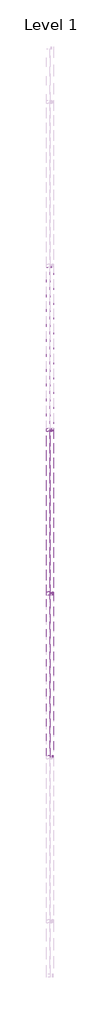
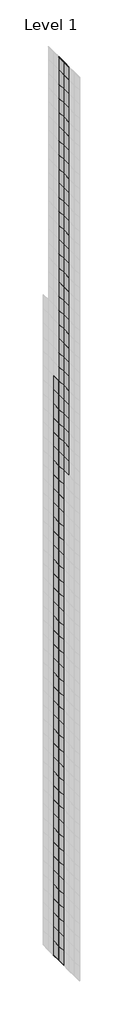
# One storey, part 23 of 29: 134 plates, 4 members.
"""IFC4 building model written with IfcOpenShell, lengths in millimetres."""

import ifcopenshell
import ifcopenshell.guid

model = None  # the IFC model being written
_history = None  # IfcOwnerHistory: only IFC2X3 demands one
_inside = {}  # id of a spatial element -> (the spatial element, [elements in it])
_under = {}  # id of a project, library or spatial element -> (it, [spatial elements below it])
_declared = {}  # id of a project -> (the project, [libraries it declares])
_typed = {}  # id of a type object -> (the type object, [elements of that type])
_made_of = {}  # id of a material, layer set ... -> (it, [elements and type objects made of it])


def new_model(schema):
    """Start an empty IFC model of exactly this schema.

    Asked for "IFC4X3", IfcOpenShell would pick the latest addendum, in which some entities
    have other attributes; the version numbers below select the first issue.
    IFC2X3 requires an IfcOwnerHistory on every rooted entity: one is made here for all.
    """
    global model, _history
    if schema == "IFC4X3":
        model = ifcopenshell.file(schema_version=(4, 3, 0, 0))
    else:
        model = ifcopenshell.file(schema=schema)
    _inside.clear()
    _under.clear()
    _declared.clear()
    _typed.clear()
    _made_of.clear()
    _history = None
    if model.schema == "IFC2X3":
        org = make("IfcOrganization", Name="unknown")
        user = make(
            "IfcPersonAndOrganization",
            ThePerson=make("IfcPerson", FamilyName="unknown"),
            TheOrganization=org,
        )
        app = make(
            "IfcApplication",
            ApplicationDeveloper=org,
            Version="unknown",
            ApplicationFullName="unknown",
            ApplicationIdentifier="unknown",
        )
        _history = make(
            "IfcOwnerHistory",
            OwningUser=user,
            OwningApplication=app,
            ChangeAction="ADDED",
            CreationDate=0,
        )
    return model


def make(cls, **values):
    """One entity of the class cls with the attributes given. An attribute that is None is left unset."""
    return model.create_entity(
        cls, **{name: value for name, value in values.items() if value is not None}
    )


def rooted(cls, **values):
    """An entity with a GlobalId (a new one), such as an element, a storey or a relation."""
    return make(cls, GlobalId=ifcopenshell.guid.new(), OwnerHistory=_history, **values)


def si_unit(unit_type, name, prefix=None):
    """IfcSIUnit, for example si_unit("LENGTHUNIT", "METRE", prefix="MILLI")."""
    return make("IfcSIUnit", UnitType=unit_type, Prefix=prefix, Name=name)


def assignment(units):
    """IfcUnitAssignment: the units of a project."""
    return None if units is None else make("IfcUnitAssignment", Units=units)


def point(xyz):
    """IfcCartesianPoint."""
    return None if xyz is None else make("IfcCartesianPoint", Coordinates=xyz)


def direction(xyz):
    """IfcDirection."""
    return None if xyz is None else make("IfcDirection", DirectionRatios=xyz)


def frame(location, z_axis=None, x_axis=None):
    """IfcAxis2Placement3D, a coordinate frame: its origin and axes. An axis left out is left unset."""
    return make(
        "IfcAxis2Placement3D",
        Location=point(location),
        Axis=direction(z_axis),
        RefDirection=direction(x_axis),
    )


def origin():
    """The frame at (0, 0, 0) with its axes left unset."""
    return frame((0.0, 0.0, 0.0))


def origin_with_axes():
    """The frame at (0, 0, 0) with the z axis (0, 0, 1) and the x axis (1, 0, 0) written out."""
    return frame((0.0, 0.0, 0.0), z_axis=(0.0, 0.0, 1.0), x_axis=(1.0, 0.0, 0.0))


def place(relative_to, where):
    """IfcLocalPlacement: puts the frame where relative to a parent placement (None: the world)."""
    return make(
        "IfcLocalPlacement", PlacementRelTo=relative_to, RelativePlacement=where
    )


def context(
    kind, dimensions, precision=None, world=None, true_north=None, identifier=None
):
    """IfcGeometricRepresentationContext, for example the 3D "Model" context."""
    return make(
        "IfcGeometricRepresentationContext",
        ContextIdentifier=identifier,
        ContextType=kind,
        CoordinateSpaceDimension=dimensions,
        Precision=precision,
        WorldCoordinateSystem=world,
        TrueNorth=true_north,
    )


def project(units=None, contexts=None):
    """IfcProject with its units and contexts."""
    return rooted(
        "IfcProject",
        Name="project",
        RepresentationContexts=contexts,
        UnitsInContext=assignment(units),
    )


def spatial(cls, under=None, at=None, **own):
    """A site, building, storey or space (cls), placed at a placement, below another one or the project."""
    s = rooted(cls, ObjectPlacement=at, **own)
    if under is not None:
        _under.setdefault(under.id(), (under, []))[1].append(s)
    return s


def polyline(points):
    """IfcPolyline through the points."""
    return make("IfcPolyline", Points=[point(p) for p in points])


def outline(outer, holes=None, kind="AREA"):
    """IfcArbitraryClosedProfileDef: a profile drawn as a closed curve; with holes, ...WithVoids."""
    if holes is None:
        return make("IfcArbitraryClosedProfileDef", ProfileType=kind, OuterCurve=outer)
    return make(
        "IfcArbitraryProfileDefWithVoids",
        ProfileType=kind,
        OuterCurve=outer,
        InnerCurves=holes,
    )


def extrude(swept, where, along, depth):
    """IfcExtrudedAreaSolid: the profile swept, set in the frame where, extruded along a direction by depth."""
    return make(
        "IfcExtrudedAreaSolid",
        SweptArea=swept,
        Position=where,
        ExtrudedDirection=direction(along),
        Depth=depth,
    )


def shape(context_of_items, identifier, shape_type, items):
    """IfcShapeRepresentation: the items that make up one representation, for example the "Body"."""
    return make(
        "IfcShapeRepresentation",
        ContextOfItems=context_of_items,
        RepresentationIdentifier=identifier,
        RepresentationType=shape_type,
        Items=items,
    )


def source(mapping_origin, context_of_items, identifier, shape_type, items):
    """IfcRepresentationMap: a shape defined once, which mapped items show again and again."""
    return make(
        "IfcRepresentationMap",
        MappingOrigin=mapping_origin,
        MappedRepresentation=shape(context_of_items, identifier, shape_type, items),
    )


def transform(
    local_origin,
    x_axis=None,
    y_axis=None,
    z_axis=None,
    scale=None,
    scale2=None,
    scale3=None,
    uniform=True,
):
    """IfcCartesianTransformationOperator3D, or its non-uniform kind. x_axis, y_axis, z_axis: its Axis1, 2, 3."""
    if uniform:
        return make(
            "IfcCartesianTransformationOperator3D",
            Axis1=direction(x_axis),
            Axis2=direction(y_axis),
            LocalOrigin=point(local_origin),
            Scale=scale,
            Axis3=direction(z_axis),
        )
    return make(
        "IfcCartesianTransformationOperator3DnonUniform",
        Axis1=direction(x_axis),
        Axis2=direction(y_axis),
        LocalOrigin=point(local_origin),
        Scale=scale,
        Axis3=direction(z_axis),
        Scale2=scale2,
        Scale3=scale3,
    )


def mapped(mapping_source, mapping_target):
    """IfcMappedItem: shows the shape of a source again, moved by a transform."""
    return make(
        "IfcMappedItem", MappingSource=mapping_source, MappingTarget=mapping_target
    )


def made_of(thing, what):
    """Note that an element or type object is made of a material, layer set ...; save() writes the relation."""
    if what is not None:
        _made_of.setdefault(what.id(), (what, []))[1].append(thing)
    return thing


def element(
    cls,
    number,
    at=None,
    inside=None,
    cuts=None,
    type_object=None,
    material=None,
    context=None,
    identifier="Body",
    shape_type=None,
    held_by="IfcProductDefinitionShape",
    body=None,
    shapes=None,
    **own,
):
    """One element of the class cls, such as IfcWall. Its Tag is "e" and its number.

    at: its placement. inside: the storey or other place that contains it. cuts: it is an
    opening in that element (IfcRelVoidsElement). A single representation is given by context,
    identifier, shape_type and body (its items); several are given by shapes. held_by: the class
    of the entity that holds the representations. save() writes the other relations.
    """
    e = rooted(cls, Tag="e%d" % number, ObjectPlacement=at, **own)
    if body is not None:
        shapes = [shape(context, identifier, shape_type, body)]
    if shapes is not None:
        e.Representation = make(held_by, Representations=shapes)
    if inside is not None:
        _inside.setdefault(inside.id(), (inside, []))[1].append(e)
    if cuts is not None:
        rooted(
            "IfcRelVoidsElement", RelatingBuildingElement=cuts, RelatedOpeningElement=e
        )
    if type_object is not None:
        _typed.setdefault(type_object.id(), (type_object, []))[1].append(e)
    return made_of(e, material)


def aggregate(whole, parts):
    """IfcRelAggregates: a whole, such as a stair, and the parts it consists of."""
    return rooted("IfcRelAggregates", RelatingObject=whole, RelatedObjects=parts)


def save(model, path):
    """Write the relations noted so far, then the file.

    IfcRelAggregates (storeys below a building ...), IfcRelContainedInSpatialStructure (elements
    in a storey), IfcRelDefinesByType, IfcRelAssociatesMaterial and IfcRelDeclares: one each for
    every whole, place, type object, material and project.
    """
    for whole, parts in _under.values():
        aggregate(whole, parts)
    for where, things in _inside.values():
        rooted(
            "IfcRelContainedInSpatialStructure",
            RelatedElements=things,
            RelatingStructure=where,
        )
    for kind, things in _typed.values():
        rooted("IfcRelDefinesByType", RelatedObjects=things, RelatingType=kind)
    for what, things in _made_of.values():
        rooted("IfcRelAssociatesMaterial", RelatedObjects=things, RelatingMaterial=what)
    for by, libraries in _declared.values():
        rooted("IfcRelDeclares", RelatingContext=by, RelatedDefinitions=libraries)
    model.write(path)


def rectangular_mullion_30mm_square_0448d2ee(model_context):
    return source(origin(), model_context, "Body", "SweptSolid", [
        extrude(outline(polyline([(0.0, 15.0), (0.0, -15.0), (-30.0, -15.0), (-30.0, 15.0), (0.0, 15.0)])), frame((0.0, 0.0, -1500.0), z_axis=(0.0, 0.0, 1.0), x_axis=(1.0, 0.0, 0.0)), (0.0, 0.0, 1.0), 1500.0),
    ])


def system_panel_glazed_328a1fc4(model_context):
    return source(origin(), model_context, "Body", "SweptSolid", [
        extrude(outline(polyline([(750.0, -49.5), (-750.0, -49.5), (-750.0, -24.5), (750.0, -24.5), (750.0, -49.5)])), origin_with_axes(), (0.0, 0.0, 1.0), 2500.0),
    ])


def system_panel_glazed_00ce7913(model_context):
    return source(origin(), model_context, "Body", "SweptSolid", [
        extrude(outline(polyline([(750.0, -49.5), (-750.0, -49.5), (-750.0, -24.5), (750.0, -24.5), (750.0, -49.5)])), origin_with_axes(), (0.0, 0.0, 1.0), 2300.0),
    ])


model = new_model("IFC4")

# Units and contexts
model_context = context("Model", 3, world=origin())
ifc_project = project(units=[si_unit("LENGTHUNIT", "METRE", prefix="MILLI")], contexts=[model_context])

# Site, building, storey
site = spatial("IfcSite", under=ifc_project)
building = spatial("IfcBuilding", under=site)
storey = spatial("IfcBuildingStorey", under=building, Name="Level 1", Elevation=0.0)

# Members
placement = place(None, origin())
rectangular_mullion_30mm_square_shape = rectangular_mullion_30mm_square_0448d2ee(model_context)
element("IfcMember", 1, ObjectType="Rectangular Mullion : 30mm Square", at=placement, inside=storey, context=model_context, shape_type="MappedRepresentation", body=[
    mapped(rectangular_mullion_30mm_square_shape, transform((27779.9951476, 5053.1129705, 300200.0), x_axis=(0.0, 0.0, 1.0), y_axis=(1.0, 0.0, 0.0), z_axis=(0.0, 1.0, 0.0))),
])
element("IfcMember", 2, ObjectType="Rectangular Mullion : 30mm Square", at=placement, inside=storey, context=model_context, shape_type="MappedRepresentation", body=[
    mapped(rectangular_mullion_30mm_square_shape, transform((27779.9951476, 6553.1129705, 300200.0), x_axis=(0.0, 0.0, 1.0), y_axis=(1.0, 0.0, 0.0), z_axis=(0.0, 1.0, 0.0))),
])
element("IfcMember", 3, ObjectType="Rectangular Mullion : 30mm Square", at=placement, inside=storey, context=model_context, shape_type="MappedRepresentation", body=[
    mapped(rectangular_mullion_30mm_square_shape, transform((27779.9951476, 5053.1129705, 140400.0), x_axis=(0.0, 0.0, -1.0), y_axis=(1.0, 0.0, 0.0), z_axis=(0.0, -1.0, 0.0))),
])
element("IfcMember", 4, ObjectType="Rectangular Mullion : 30mm Square", at=placement, inside=storey, context=model_context, shape_type="MappedRepresentation", body=[
    mapped(rectangular_mullion_30mm_square_shape, transform((27779.9951476, 6553.1129705, 140400.0), x_axis=(0.0, 0.0, -1.0), y_axis=(1.0, 0.0, 0.0), z_axis=(0.0, -1.0, 0.0))),
])

# Plates
system_panel_glazed_shape = system_panel_glazed_328a1fc4(model_context)
element("IfcPlate", 5, ObjectType="System Panel : Glazed", at=placement, inside=storey, context=model_context, shape_type="MappedRepresentation", body=[
    mapped(system_panel_glazed_shape, transform((27779.9951476, 5803.1129705, 140400.0), x_axis=(0.0, 1.0, 0.0), y_axis=(-1.0, 0.0, 0.0), z_axis=(0.0, 0.0, 1.0))),
])
element("IfcPlate", 6, ObjectType="System Panel : Glazed", at=placement, inside=storey, context=model_context, shape_type="MappedRepresentation", body=[
    mapped(system_panel_glazed_shape, transform((27779.9951476, 7303.1129705, 140400.0), x_axis=(0.0, 1.0, 0.0), y_axis=(-1.0, 0.0, 0.0), z_axis=(0.0, 0.0, 1.0))),
])
element("IfcPlate", 7, ObjectType="System Panel : Glazed", at=placement, inside=storey, context=model_context, shape_type="MappedRepresentation", body=[
    mapped(system_panel_glazed_shape, transform((27779.9951476, 5803.1129705, 142900.0), x_axis=(0.0, 1.0, 0.0), y_axis=(-1.0, 0.0, 0.0), z_axis=(0.0, 0.0, 1.0))),
])
element("IfcPlate", 8, ObjectType="System Panel : Glazed", at=placement, inside=storey, context=model_context, shape_type="MappedRepresentation", body=[
    mapped(system_panel_glazed_shape, transform((27779.9951476, 7303.1129705, 142900.0), x_axis=(0.0, 1.0, 0.0), y_axis=(-1.0, 0.0, 0.0), z_axis=(0.0, 0.0, 1.0))),
])
element("IfcPlate", 9, ObjectType="System Panel : Glazed", at=placement, inside=storey, context=model_context, shape_type="MappedRepresentation", body=[
    mapped(system_panel_glazed_shape, transform((27779.9951476, 5803.1129705, 145400.0), x_axis=(0.0, 1.0, 0.0), y_axis=(-1.0, 0.0, 0.0), z_axis=(0.0, 0.0, 1.0))),
])
element("IfcPlate", 10, ObjectType="System Panel : Glazed", at=placement, inside=storey, context=model_context, shape_type="MappedRepresentation", body=[
    mapped(system_panel_glazed_shape, transform((27779.9951476, 7303.1129705, 145400.0), x_axis=(0.0, 1.0, 0.0), y_axis=(-1.0, 0.0, 0.0), z_axis=(0.0, 0.0, 1.0))),
])
element("IfcPlate", 11, ObjectType="System Panel : Glazed", at=placement, inside=storey, context=model_context, shape_type="MappedRepresentation", body=[
    mapped(system_panel_glazed_shape, transform((27779.9951476, 5803.1129705, 147900.0), x_axis=(0.0, 1.0, 0.0), y_axis=(-1.0, 0.0, 0.0), z_axis=(0.0, 0.0, 1.0))),
])
element("IfcPlate", 12, ObjectType="System Panel : Glazed", at=placement, inside=storey, context=model_context, shape_type="MappedRepresentation", body=[
    mapped(system_panel_glazed_shape, transform((27779.9951476, 7303.1129705, 147900.0), x_axis=(0.0, 1.0, 0.0), y_axis=(-1.0, 0.0, 0.0), z_axis=(0.0, 0.0, 1.0))),
])
element("IfcPlate", 13, ObjectType="System Panel : Glazed", at=placement, inside=storey, context=model_context, shape_type="MappedRepresentation", body=[
    mapped(system_panel_glazed_shape, transform((27779.9951476, 5803.1129705, 150400.0), x_axis=(0.0, 1.0, 0.0), y_axis=(-1.0, 0.0, 0.0), z_axis=(0.0, 0.0, 1.0))),
])
element("IfcPlate", 14, ObjectType="System Panel : Glazed", at=placement, inside=storey, context=model_context, shape_type="MappedRepresentation", body=[
    mapped(system_panel_glazed_shape, transform((27779.9951476, 7303.1129705, 150400.0), x_axis=(0.0, 1.0, 0.0), y_axis=(-1.0, 0.0, 0.0), z_axis=(0.0, 0.0, 1.0))),
])
element("IfcPlate", 15, ObjectType="System Panel : Glazed", at=placement, inside=storey, context=model_context, shape_type="MappedRepresentation", body=[
    mapped(system_panel_glazed_shape, transform((27779.9951476, 5803.1129705, 152900.0), x_axis=(0.0, 1.0, 0.0), y_axis=(-1.0, 0.0, 0.0), z_axis=(0.0, 0.0, 1.0))),
])
element("IfcPlate", 16, ObjectType="System Panel : Glazed", at=placement, inside=storey, context=model_context, shape_type="MappedRepresentation", body=[
    mapped(system_panel_glazed_shape, transform((27779.9951476, 7303.1129705, 152900.0), x_axis=(0.0, 1.0, 0.0), y_axis=(-1.0, 0.0, 0.0), z_axis=(0.0, 0.0, 1.0))),
])
element("IfcPlate", 17, ObjectType="System Panel : Glazed", at=placement, inside=storey, context=model_context, shape_type="MappedRepresentation", body=[
    mapped(system_panel_glazed_shape, transform((27779.9951476, 5803.1129705, 155400.0), x_axis=(0.0, 1.0, 0.0), y_axis=(-1.0, 0.0, 0.0), z_axis=(0.0, 0.0, 1.0))),
])
element("IfcPlate", 18, ObjectType="System Panel : Glazed", at=placement, inside=storey, context=model_context, shape_type="MappedRepresentation", body=[
    mapped(system_panel_glazed_shape, transform((27779.9951476, 7303.1129705, 155400.0), x_axis=(0.0, 1.0, 0.0), y_axis=(-1.0, 0.0, 0.0), z_axis=(0.0, 0.0, 1.0))),
])
element("IfcPlate", 19, ObjectType="System Panel : Glazed", at=placement, inside=storey, context=model_context, shape_type="MappedRepresentation", body=[
    mapped(system_panel_glazed_shape, transform((27779.9951476, 5803.1129705, 157900.0), x_axis=(0.0, 1.0, 0.0), y_axis=(-1.0, 0.0, 0.0), z_axis=(0.0, 0.0, 1.0))),
])
element("IfcPlate", 20, ObjectType="System Panel : Glazed", at=placement, inside=storey, context=model_context, shape_type="MappedRepresentation", body=[
    mapped(system_panel_glazed_shape, transform((27779.9951476, 7303.1129705, 157900.0), x_axis=(0.0, 1.0, 0.0), y_axis=(-1.0, 0.0, 0.0), z_axis=(0.0, 0.0, 1.0))),
])
element("IfcPlate", 21, ObjectType="System Panel : Glazed", at=placement, inside=storey, context=model_context, shape_type="MappedRepresentation", body=[
    mapped(system_panel_glazed_shape, transform((27779.9951476, 5803.1129705, 160400.0), x_axis=(0.0, 1.0, 0.0), y_axis=(-1.0, 0.0, 0.0), z_axis=(0.0, 0.0, 1.0))),
])
element("IfcPlate", 22, ObjectType="System Panel : Glazed", at=placement, inside=storey, context=model_context, shape_type="MappedRepresentation", body=[
    mapped(system_panel_glazed_shape, transform((27779.9951476, 7303.1129705, 160400.0), x_axis=(0.0, 1.0, 0.0), y_axis=(-1.0, 0.0, 0.0), z_axis=(0.0, 0.0, 1.0))),
])
element("IfcPlate", 23, ObjectType="System Panel : Glazed", at=placement, inside=storey, context=model_context, shape_type="MappedRepresentation", body=[
    mapped(system_panel_glazed_shape, transform((27779.9951476, 5803.1129705, 162900.0), x_axis=(0.0, 1.0, 0.0), y_axis=(-1.0, 0.0, 0.0), z_axis=(0.0, 0.0, 1.0))),
])
element("IfcPlate", 24, ObjectType="System Panel : Glazed", at=placement, inside=storey, context=model_context, shape_type="MappedRepresentation", body=[
    mapped(system_panel_glazed_shape, transform((27779.9951476, 7303.1129705, 162900.0), x_axis=(0.0, 1.0, 0.0), y_axis=(-1.0, 0.0, 0.0), z_axis=(0.0, 0.0, 1.0))),
])
element("IfcPlate", 25, ObjectType="System Panel : Glazed", at=placement, inside=storey, context=model_context, shape_type="MappedRepresentation", body=[
    mapped(system_panel_glazed_shape, transform((27779.9951476, 5803.1129705, 165400.0), x_axis=(0.0, 1.0, 0.0), y_axis=(-1.0, 0.0, 0.0), z_axis=(0.0, 0.0, 1.0))),
])
element("IfcPlate", 26, ObjectType="System Panel : Glazed", at=placement, inside=storey, context=model_context, shape_type="MappedRepresentation", body=[
    mapped(system_panel_glazed_shape, transform((27779.9951476, 7303.1129705, 165400.0), x_axis=(0.0, 1.0, 0.0), y_axis=(-1.0, 0.0, 0.0), z_axis=(0.0, 0.0, 1.0))),
])
element("IfcPlate", 27, ObjectType="System Panel : Glazed", at=placement, inside=storey, context=model_context, shape_type="MappedRepresentation", body=[
    mapped(system_panel_glazed_shape, transform((27779.9951476, 5803.1129705, 167900.0), x_axis=(0.0, 1.0, 0.0), y_axis=(-1.0, 0.0, 0.0), z_axis=(0.0, 0.0, 1.0))),
])
element("IfcPlate", 28, ObjectType="System Panel : Glazed", at=placement, inside=storey, context=model_context, shape_type="MappedRepresentation", body=[
    mapped(system_panel_glazed_shape, transform((27779.9951476, 7303.1129705, 167900.0), x_axis=(0.0, 1.0, 0.0), y_axis=(-1.0, 0.0, 0.0), z_axis=(0.0, 0.0, 1.0))),
])
element("IfcPlate", 29, ObjectType="System Panel : Glazed", at=placement, inside=storey, context=model_context, shape_type="MappedRepresentation", body=[
    mapped(system_panel_glazed_shape, transform((27779.9951476, 5803.1129705, 170400.0), x_axis=(0.0, 1.0, 0.0), y_axis=(-1.0, 0.0, 0.0), z_axis=(0.0, 0.0, 1.0))),
])
element("IfcPlate", 30, ObjectType="System Panel : Glazed", at=placement, inside=storey, context=model_context, shape_type="MappedRepresentation", body=[
    mapped(system_panel_glazed_shape, transform((27779.9951476, 7303.1129705, 170400.0), x_axis=(0.0, 1.0, 0.0), y_axis=(-1.0, 0.0, 0.0), z_axis=(0.0, 0.0, 1.0))),
])
element("IfcPlate", 31, ObjectType="System Panel : Glazed", at=placement, inside=storey, context=model_context, shape_type="MappedRepresentation", body=[
    mapped(system_panel_glazed_shape, transform((27779.9951476, 5803.1129705, 172900.0), x_axis=(0.0, 1.0, 0.0), y_axis=(-1.0, 0.0, 0.0), z_axis=(0.0, 0.0, 1.0))),
])
element("IfcPlate", 32, ObjectType="System Panel : Glazed", at=placement, inside=storey, context=model_context, shape_type="MappedRepresentation", body=[
    mapped(system_panel_glazed_shape, transform((27779.9951476, 7303.1129705, 172900.0), x_axis=(0.0, 1.0, 0.0), y_axis=(-1.0, 0.0, 0.0), z_axis=(0.0, 0.0, 1.0))),
])
element("IfcPlate", 33, ObjectType="System Panel : Glazed", at=placement, inside=storey, context=model_context, shape_type="MappedRepresentation", body=[
    mapped(system_panel_glazed_shape, transform((27779.9951476, 5803.1129705, 175400.0), x_axis=(0.0, 1.0, 0.0), y_axis=(-1.0, 0.0, 0.0), z_axis=(0.0, 0.0, 1.0))),
])
element("IfcPlate", 34, ObjectType="System Panel : Glazed", at=placement, inside=storey, context=model_context, shape_type="MappedRepresentation", body=[
    mapped(system_panel_glazed_shape, transform((27779.9951476, 7303.1129705, 175400.0), x_axis=(0.0, 1.0, 0.0), y_axis=(-1.0, 0.0, 0.0), z_axis=(0.0, 0.0, 1.0))),
])
element("IfcPlate", 35, ObjectType="System Panel : Glazed", at=placement, inside=storey, context=model_context, shape_type="MappedRepresentation", body=[
    mapped(system_panel_glazed_shape, transform((27779.9951476, 5803.1129705, 177900.0), x_axis=(0.0, 1.0, 0.0), y_axis=(-1.0, 0.0, 0.0), z_axis=(0.0, 0.0, 1.0))),
])
element("IfcPlate", 36, ObjectType="System Panel : Glazed", at=placement, inside=storey, context=model_context, shape_type="MappedRepresentation", body=[
    mapped(system_panel_glazed_shape, transform((27779.9951476, 7303.1129705, 177900.0), x_axis=(0.0, 1.0, 0.0), y_axis=(-1.0, 0.0, 0.0), z_axis=(0.0, 0.0, 1.0))),
])
element("IfcPlate", 37, ObjectType="System Panel : Glazed", at=placement, inside=storey, context=model_context, shape_type="MappedRepresentation", body=[
    mapped(system_panel_glazed_shape, transform((27779.9951476, 5803.1129705, 180400.0), x_axis=(0.0, 1.0, 0.0), y_axis=(-1.0, 0.0, 0.0), z_axis=(0.0, 0.0, 1.0))),
])
element("IfcPlate", 38, ObjectType="System Panel : Glazed", at=placement, inside=storey, context=model_context, shape_type="MappedRepresentation", body=[
    mapped(system_panel_glazed_shape, transform((27779.9951476, 7303.1129705, 180400.0), x_axis=(0.0, 1.0, 0.0), y_axis=(-1.0, 0.0, 0.0), z_axis=(0.0, 0.0, 1.0))),
])
element("IfcPlate", 39, ObjectType="System Panel : Glazed", at=placement, inside=storey, context=model_context, shape_type="MappedRepresentation", body=[
    mapped(system_panel_glazed_shape, transform((27779.9951476, 5803.1129705, 182900.0), x_axis=(0.0, 1.0, 0.0), y_axis=(-1.0, 0.0, 0.0), z_axis=(0.0, 0.0, 1.0))),
])
element("IfcPlate", 40, ObjectType="System Panel : Glazed", at=placement, inside=storey, context=model_context, shape_type="MappedRepresentation", body=[
    mapped(system_panel_glazed_shape, transform((27779.9951476, 7303.1129705, 182900.0), x_axis=(0.0, 1.0, 0.0), y_axis=(-1.0, 0.0, 0.0), z_axis=(0.0, 0.0, 1.0))),
])
element("IfcPlate", 41, ObjectType="System Panel : Glazed", at=placement, inside=storey, context=model_context, shape_type="MappedRepresentation", body=[
    mapped(system_panel_glazed_shape, transform((27779.9951476, 5803.1129705, 185400.0), x_axis=(0.0, 1.0, 0.0), y_axis=(-1.0, 0.0, 0.0), z_axis=(0.0, 0.0, 1.0))),
])
element("IfcPlate", 42, ObjectType="System Panel : Glazed", at=placement, inside=storey, context=model_context, shape_type="MappedRepresentation", body=[
    mapped(system_panel_glazed_shape, transform((27779.9951476, 7303.1129705, 185400.0), x_axis=(0.0, 1.0, 0.0), y_axis=(-1.0, 0.0, 0.0), z_axis=(0.0, 0.0, 1.0))),
])
element("IfcPlate", 43, ObjectType="System Panel : Glazed", at=placement, inside=storey, context=model_context, shape_type="MappedRepresentation", body=[
    mapped(system_panel_glazed_shape, transform((27779.9951476, 5803.1129705, 187900.0), x_axis=(0.0, 1.0, 0.0), y_axis=(-1.0, 0.0, 0.0), z_axis=(0.0, 0.0, 1.0))),
])
element("IfcPlate", 44, ObjectType="System Panel : Glazed", at=placement, inside=storey, context=model_context, shape_type="MappedRepresentation", body=[
    mapped(system_panel_glazed_shape, transform((27779.9951476, 7303.1129705, 187900.0), x_axis=(0.0, 1.0, 0.0), y_axis=(-1.0, 0.0, 0.0), z_axis=(0.0, 0.0, 1.0))),
])
element("IfcPlate", 45, ObjectType="System Panel : Glazed", at=placement, inside=storey, context=model_context, shape_type="MappedRepresentation", body=[
    mapped(system_panel_glazed_shape, transform((27779.9951476, 5803.1129705, 190400.0), x_axis=(0.0, 1.0, 0.0), y_axis=(-1.0, 0.0, 0.0), z_axis=(0.0, 0.0, 1.0))),
])
element("IfcPlate", 46, ObjectType="System Panel : Glazed", at=placement, inside=storey, context=model_context, shape_type="MappedRepresentation", body=[
    mapped(system_panel_glazed_shape, transform((27779.9951476, 7303.1129705, 190400.0), x_axis=(0.0, 1.0, 0.0), y_axis=(-1.0, 0.0, 0.0), z_axis=(0.0, 0.0, 1.0))),
])
element("IfcPlate", 47, ObjectType="System Panel : Glazed", at=placement, inside=storey, context=model_context, shape_type="MappedRepresentation", body=[
    mapped(system_panel_glazed_shape, transform((27779.9951476, 5803.1129705, 192900.0), x_axis=(0.0, 1.0, 0.0), y_axis=(-1.0, 0.0, 0.0), z_axis=(0.0, 0.0, 1.0))),
])
element("IfcPlate", 48, ObjectType="System Panel : Glazed", at=placement, inside=storey, context=model_context, shape_type="MappedRepresentation", body=[
    mapped(system_panel_glazed_shape, transform((27779.9951476, 7303.1129705, 192900.0), x_axis=(0.0, 1.0, 0.0), y_axis=(-1.0, 0.0, 0.0), z_axis=(0.0, 0.0, 1.0))),
])
element("IfcPlate", 49, ObjectType="System Panel : Glazed", at=placement, inside=storey, context=model_context, shape_type="MappedRepresentation", body=[
    mapped(system_panel_glazed_shape, transform((27779.9951476, 5803.1129705, 195400.0), x_axis=(0.0, 1.0, 0.0), y_axis=(-1.0, 0.0, 0.0), z_axis=(0.0, 0.0, 1.0))),
])
element("IfcPlate", 50, ObjectType="System Panel : Glazed", at=placement, inside=storey, context=model_context, shape_type="MappedRepresentation", body=[
    mapped(system_panel_glazed_shape, transform((27779.9951476, 7303.1129705, 195400.0), x_axis=(0.0, 1.0, 0.0), y_axis=(-1.0, 0.0, 0.0), z_axis=(0.0, 0.0, 1.0))),
])
element("IfcPlate", 51, ObjectType="System Panel : Glazed", at=placement, inside=storey, context=model_context, shape_type="MappedRepresentation", body=[
    mapped(system_panel_glazed_shape, transform((27779.9951476, 5803.1129705, 197900.0), x_axis=(0.0, 1.0, 0.0), y_axis=(-1.0, 0.0, 0.0), z_axis=(0.0, 0.0, 1.0))),
])
element("IfcPlate", 52, ObjectType="System Panel : Glazed", at=placement, inside=storey, context=model_context, shape_type="MappedRepresentation", body=[
    mapped(system_panel_glazed_shape, transform((27779.9951476, 7303.1129705, 197900.0), x_axis=(0.0, 1.0, 0.0), y_axis=(-1.0, 0.0, 0.0), z_axis=(0.0, 0.0, 1.0))),
])
element("IfcPlate", 53, ObjectType="System Panel : Glazed", at=placement, inside=storey, context=model_context, shape_type="MappedRepresentation", body=[
    mapped(system_panel_glazed_shape, transform((27779.9951476, 5803.1129705, 200400.0), x_axis=(0.0, 1.0, 0.0), y_axis=(-1.0, 0.0, 0.0), z_axis=(0.0, 0.0, 1.0))),
])
element("IfcPlate", 54, ObjectType="System Panel : Glazed", at=placement, inside=storey, context=model_context, shape_type="MappedRepresentation", body=[
    mapped(system_panel_glazed_shape, transform((27779.9951476, 7303.1129705, 200400.0), x_axis=(0.0, 1.0, 0.0), y_axis=(-1.0, 0.0, 0.0), z_axis=(0.0, 0.0, 1.0))),
])
element("IfcPlate", 55, ObjectType="System Panel : Glazed", at=placement, inside=storey, context=model_context, shape_type="MappedRepresentation", body=[
    mapped(system_panel_glazed_shape, transform((27779.9951476, 5803.1129705, 202900.0), x_axis=(0.0, 1.0, 0.0), y_axis=(-1.0, 0.0, 0.0), z_axis=(0.0, 0.0, 1.0))),
])
element("IfcPlate", 56, ObjectType="System Panel : Glazed", at=placement, inside=storey, context=model_context, shape_type="MappedRepresentation", body=[
    mapped(system_panel_glazed_shape, transform((27779.9951476, 7303.1129705, 202900.0), x_axis=(0.0, 1.0, 0.0), y_axis=(-1.0, 0.0, 0.0), z_axis=(0.0, 0.0, 1.0))),
])
element("IfcPlate", 57, ObjectType="System Panel : Glazed", at=placement, inside=storey, context=model_context, shape_type="MappedRepresentation", body=[
    mapped(system_panel_glazed_shape, transform((27779.9951476, 5803.1129705, 205400.0), x_axis=(0.0, 1.0, 0.0), y_axis=(-1.0, 0.0, 0.0), z_axis=(0.0, 0.0, 1.0))),
])
element("IfcPlate", 58, ObjectType="System Panel : Glazed", at=placement, inside=storey, context=model_context, shape_type="MappedRepresentation", body=[
    mapped(system_panel_glazed_shape, transform((27779.9951476, 7303.1129705, 205400.0), x_axis=(0.0, 1.0, 0.0), y_axis=(-1.0, 0.0, 0.0), z_axis=(0.0, 0.0, 1.0))),
])
element("IfcPlate", 59, ObjectType="System Panel : Glazed", at=placement, inside=storey, context=model_context, shape_type="MappedRepresentation", body=[
    mapped(system_panel_glazed_shape, transform((27779.9951476, 5803.1129705, 207900.0), x_axis=(0.0, 1.0, 0.0), y_axis=(-1.0, 0.0, 0.0), z_axis=(0.0, 0.0, 1.0))),
])
element("IfcPlate", 60, ObjectType="System Panel : Glazed", at=placement, inside=storey, context=model_context, shape_type="MappedRepresentation", body=[
    mapped(system_panel_glazed_shape, transform((27779.9951476, 7303.1129705, 207900.0), x_axis=(0.0, 1.0, 0.0), y_axis=(-1.0, 0.0, 0.0), z_axis=(0.0, 0.0, 1.0))),
])
element("IfcPlate", 61, ObjectType="System Panel : Glazed", at=placement, inside=storey, context=model_context, shape_type="MappedRepresentation", body=[
    mapped(system_panel_glazed_shape, transform((27779.9951476, 5803.1129705, 210400.0), x_axis=(0.0, 1.0, 0.0), y_axis=(-1.0, 0.0, 0.0), z_axis=(0.0, 0.0, 1.0))),
])
element("IfcPlate", 62, ObjectType="System Panel : Glazed", at=placement, inside=storey, context=model_context, shape_type="MappedRepresentation", body=[
    mapped(system_panel_glazed_shape, transform((27779.9951476, 7303.1129705, 210400.0), x_axis=(0.0, 1.0, 0.0), y_axis=(-1.0, 0.0, 0.0), z_axis=(0.0, 0.0, 1.0))),
])
element("IfcPlate", 63, ObjectType="System Panel : Glazed", at=placement, inside=storey, context=model_context, shape_type="MappedRepresentation", body=[
    mapped(system_panel_glazed_shape, transform((27779.9951476, 5803.1129705, 212900.0), x_axis=(0.0, 1.0, 0.0), y_axis=(-1.0, 0.0, 0.0), z_axis=(0.0, 0.0, 1.0))),
])
element("IfcPlate", 64, ObjectType="System Panel : Glazed", at=placement, inside=storey, context=model_context, shape_type="MappedRepresentation", body=[
    mapped(system_panel_glazed_shape, transform((27779.9951476, 7303.1129705, 212900.0), x_axis=(0.0, 1.0, 0.0), y_axis=(-1.0, 0.0, 0.0), z_axis=(0.0, 0.0, 1.0))),
])
element("IfcPlate", 65, ObjectType="System Panel : Glazed", at=placement, inside=storey, context=model_context, shape_type="MappedRepresentation", body=[
    mapped(system_panel_glazed_shape, transform((27779.9951476, 5803.1129705, 215400.0), x_axis=(0.0, 1.0, 0.0), y_axis=(-1.0, 0.0, 0.0), z_axis=(0.0, 0.0, 1.0))),
])
element("IfcPlate", 66, ObjectType="System Panel : Glazed", at=placement, inside=storey, context=model_context, shape_type="MappedRepresentation", body=[
    mapped(system_panel_glazed_shape, transform((27779.9951476, 7303.1129705, 215400.0), x_axis=(0.0, 1.0, 0.0), y_axis=(-1.0, 0.0, 0.0), z_axis=(0.0, 0.0, 1.0))),
])
element("IfcPlate", 67, ObjectType="System Panel : Glazed", at=placement, inside=storey, context=model_context, shape_type="MappedRepresentation", body=[
    mapped(system_panel_glazed_shape, transform((27779.9951476, 5803.1129705, 217900.0), x_axis=(0.0, 1.0, 0.0), y_axis=(-1.0, 0.0, 0.0), z_axis=(0.0, 0.0, 1.0))),
])
element("IfcPlate", 68, ObjectType="System Panel : Glazed", at=placement, inside=storey, context=model_context, shape_type="MappedRepresentation", body=[
    mapped(system_panel_glazed_shape, transform((27779.9951476, 7303.1129705, 217900.0), x_axis=(0.0, 1.0, 0.0), y_axis=(-1.0, 0.0, 0.0), z_axis=(0.0, 0.0, 1.0))),
])
element("IfcPlate", 69, ObjectType="System Panel : Glazed", at=placement, inside=storey, context=model_context, shape_type="MappedRepresentation", body=[
    mapped(system_panel_glazed_shape, transform((27779.9951476, 5803.1129705, 220400.0), x_axis=(0.0, 1.0, 0.0), y_axis=(-1.0, 0.0, 0.0), z_axis=(0.0, 0.0, 1.0))),
])
element("IfcPlate", 70, ObjectType="System Panel : Glazed", at=placement, inside=storey, context=model_context, shape_type="MappedRepresentation", body=[
    mapped(system_panel_glazed_shape, transform((27779.9951476, 7303.1129705, 220400.0), x_axis=(0.0, 1.0, 0.0), y_axis=(-1.0, 0.0, 0.0), z_axis=(0.0, 0.0, 1.0))),
])
element("IfcPlate", 71, ObjectType="System Panel : Glazed", at=placement, inside=storey, context=model_context, shape_type="MappedRepresentation", body=[
    mapped(system_panel_glazed_shape, transform((27779.9951476, 5803.1129705, 222900.0), x_axis=(0.0, 1.0, 0.0), y_axis=(-1.0, 0.0, 0.0), z_axis=(0.0, 0.0, 1.0))),
])
element("IfcPlate", 72, ObjectType="System Panel : Glazed", at=placement, inside=storey, context=model_context, shape_type="MappedRepresentation", body=[
    mapped(system_panel_glazed_shape, transform((27779.9951476, 7303.1129705, 222900.0), x_axis=(0.0, 1.0, 0.0), y_axis=(-1.0, 0.0, 0.0), z_axis=(0.0, 0.0, 1.0))),
])
element("IfcPlate", 73, ObjectType="System Panel : Glazed", at=placement, inside=storey, context=model_context, shape_type="MappedRepresentation", body=[
    mapped(system_panel_glazed_shape, transform((27779.9951476, 5803.1129705, 225400.0), x_axis=(0.0, 1.0, 0.0), y_axis=(-1.0, 0.0, 0.0), z_axis=(0.0, 0.0, 1.0))),
])
element("IfcPlate", 74, ObjectType="System Panel : Glazed", at=placement, inside=storey, context=model_context, shape_type="MappedRepresentation", body=[
    mapped(system_panel_glazed_shape, transform((27779.9951476, 7303.1129705, 225400.0), x_axis=(0.0, 1.0, 0.0), y_axis=(-1.0, 0.0, 0.0), z_axis=(0.0, 0.0, 1.0))),
])
element("IfcPlate", 75, ObjectType="System Panel : Glazed", at=placement, inside=storey, context=model_context, shape_type="MappedRepresentation", body=[
    mapped(system_panel_glazed_shape, transform((27779.9951476, 4303.1129705, 227900.0), x_axis=(0.0, 1.0, 0.0), y_axis=(-1.0, 0.0, 0.0), z_axis=(0.0, 0.0, 1.0))),
])
element("IfcPlate", 76, ObjectType="System Panel : Glazed", at=placement, inside=storey, context=model_context, shape_type="MappedRepresentation", body=[
    mapped(system_panel_glazed_shape, transform((27779.9951476, 5803.1129705, 227900.0), x_axis=(0.0, 1.0, 0.0), y_axis=(-1.0, 0.0, 0.0), z_axis=(0.0, 0.0, 1.0))),
])
element("IfcPlate", 77, ObjectType="System Panel : Glazed", at=placement, inside=storey, context=model_context, shape_type="MappedRepresentation", body=[
    mapped(system_panel_glazed_shape, transform((27779.9951476, 7303.1129705, 227900.0), x_axis=(0.0, 1.0, 0.0), y_axis=(-1.0, 0.0, 0.0), z_axis=(0.0, 0.0, 1.0))),
])
element("IfcPlate", 78, ObjectType="System Panel : Glazed", at=placement, inside=storey, context=model_context, shape_type="MappedRepresentation", body=[
    mapped(system_panel_glazed_shape, transform((27779.9951476, 4303.1129705, 230400.0), x_axis=(0.0, 1.0, 0.0), y_axis=(-1.0, 0.0, 0.0), z_axis=(0.0, 0.0, 1.0))),
])
element("IfcPlate", 79, ObjectType="System Panel : Glazed", at=placement, inside=storey, context=model_context, shape_type="MappedRepresentation", body=[
    mapped(system_panel_glazed_shape, transform((27779.9951476, 5803.1129705, 230400.0), x_axis=(0.0, 1.0, 0.0), y_axis=(-1.0, 0.0, 0.0), z_axis=(0.0, 0.0, 1.0))),
])
element("IfcPlate", 80, ObjectType="System Panel : Glazed", at=placement, inside=storey, context=model_context, shape_type="MappedRepresentation", body=[
    mapped(system_panel_glazed_shape, transform((27779.9951476, 7303.1129705, 230400.0), x_axis=(0.0, 1.0, 0.0), y_axis=(-1.0, 0.0, 0.0), z_axis=(0.0, 0.0, 1.0))),
])
element("IfcPlate", 81, ObjectType="System Panel : Glazed", at=placement, inside=storey, context=model_context, shape_type="MappedRepresentation", body=[
    mapped(system_panel_glazed_shape, transform((27779.9951476, 4303.1129705, 232900.0), x_axis=(0.0, 1.0, 0.0), y_axis=(-1.0, 0.0, 0.0), z_axis=(0.0, 0.0, 1.0))),
])
element("IfcPlate", 82, ObjectType="System Panel : Glazed", at=placement, inside=storey, context=model_context, shape_type="MappedRepresentation", body=[
    mapped(system_panel_glazed_shape, transform((27779.9951476, 5803.1129705, 232900.0), x_axis=(0.0, 1.0, 0.0), y_axis=(-1.0, 0.0, 0.0), z_axis=(0.0, 0.0, 1.0))),
])
element("IfcPlate", 83, ObjectType="System Panel : Glazed", at=placement, inside=storey, context=model_context, shape_type="MappedRepresentation", body=[
    mapped(system_panel_glazed_shape, transform((27779.9951476, 7303.1129705, 232900.0), x_axis=(0.0, 1.0, 0.0), y_axis=(-1.0, 0.0, 0.0), z_axis=(0.0, 0.0, 1.0))),
])
element("IfcPlate", 84, ObjectType="System Panel : Glazed", at=placement, inside=storey, context=model_context, shape_type="MappedRepresentation", body=[
    mapped(system_panel_glazed_shape, transform((27779.9951476, 4303.1129705, 235400.0), x_axis=(0.0, 1.0, 0.0), y_axis=(-1.0, 0.0, 0.0), z_axis=(0.0, 0.0, 1.0))),
])
element("IfcPlate", 85, ObjectType="System Panel : Glazed", at=placement, inside=storey, context=model_context, shape_type="MappedRepresentation", body=[
    mapped(system_panel_glazed_shape, transform((27779.9951476, 5803.1129705, 235400.0), x_axis=(0.0, 1.0, 0.0), y_axis=(-1.0, 0.0, 0.0), z_axis=(0.0, 0.0, 1.0))),
])
element("IfcPlate", 86, ObjectType="System Panel : Glazed", at=placement, inside=storey, context=model_context, shape_type="MappedRepresentation", body=[
    mapped(system_panel_glazed_shape, transform((27779.9951476, 7303.1129705, 235400.0), x_axis=(0.0, 1.0, 0.0), y_axis=(-1.0, 0.0, 0.0), z_axis=(0.0, 0.0, 1.0))),
])
element("IfcPlate", 87, ObjectType="System Panel : Glazed", at=placement, inside=storey, context=model_context, shape_type="MappedRepresentation", body=[
    mapped(system_panel_glazed_shape, transform((27779.9951476, 4303.1129705, 237900.0), x_axis=(0.0, 1.0, 0.0), y_axis=(-1.0, 0.0, 0.0), z_axis=(0.0, 0.0, 1.0))),
])
element("IfcPlate", 88, ObjectType="System Panel : Glazed", at=placement, inside=storey, context=model_context, shape_type="MappedRepresentation", body=[
    mapped(system_panel_glazed_shape, transform((27779.9951476, 5803.1129705, 237900.0), x_axis=(0.0, 1.0, 0.0), y_axis=(-1.0, 0.0, 0.0), z_axis=(0.0, 0.0, 1.0))),
])
element("IfcPlate", 89, ObjectType="System Panel : Glazed", at=placement, inside=storey, context=model_context, shape_type="MappedRepresentation", body=[
    mapped(system_panel_glazed_shape, transform((27779.9951476, 7303.1129705, 237900.0), x_axis=(0.0, 1.0, 0.0), y_axis=(-1.0, 0.0, 0.0), z_axis=(0.0, 0.0, 1.0))),
])
element("IfcPlate", 90, ObjectType="System Panel : Glazed", at=placement, inside=storey, context=model_context, shape_type="MappedRepresentation", body=[
    mapped(system_panel_glazed_shape, transform((27779.9951476, 4303.1129705, 240400.0), x_axis=(0.0, 1.0, 0.0), y_axis=(-1.0, 0.0, 0.0), z_axis=(0.0, 0.0, 1.0))),
])
element("IfcPlate", 91, ObjectType="System Panel : Glazed", at=placement, inside=storey, context=model_context, shape_type="MappedRepresentation", body=[
    mapped(system_panel_glazed_shape, transform((27779.9951476, 5803.1129705, 240400.0), x_axis=(0.0, 1.0, 0.0), y_axis=(-1.0, 0.0, 0.0), z_axis=(0.0, 0.0, 1.0))),
])
element("IfcPlate", 92, ObjectType="System Panel : Glazed", at=placement, inside=storey, context=model_context, shape_type="MappedRepresentation", body=[
    mapped(system_panel_glazed_shape, transform((27779.9951476, 7303.1129705, 240400.0), x_axis=(0.0, 1.0, 0.0), y_axis=(-1.0, 0.0, 0.0), z_axis=(0.0, 0.0, 1.0))),
])
element("IfcPlate", 93, ObjectType="System Panel : Glazed", at=placement, inside=storey, context=model_context, shape_type="MappedRepresentation", body=[
    mapped(system_panel_glazed_shape, transform((27779.9951476, 4303.1129705, 242900.0), x_axis=(0.0, 1.0, 0.0), y_axis=(-1.0, 0.0, 0.0), z_axis=(0.0, 0.0, 1.0))),
])
element("IfcPlate", 94, ObjectType="System Panel : Glazed", at=placement, inside=storey, context=model_context, shape_type="MappedRepresentation", body=[
    mapped(system_panel_glazed_shape, transform((27779.9951476, 5803.1129705, 242900.0), x_axis=(0.0, 1.0, 0.0), y_axis=(-1.0, 0.0, 0.0), z_axis=(0.0, 0.0, 1.0))),
])
element("IfcPlate", 95, ObjectType="System Panel : Glazed", at=placement, inside=storey, context=model_context, shape_type="MappedRepresentation", body=[
    mapped(system_panel_glazed_shape, transform((27779.9951476, 4303.1129705, 245400.0), x_axis=(0.0, 1.0, 0.0), y_axis=(-1.0, 0.0, 0.0), z_axis=(0.0, 0.0, 1.0))),
])
element("IfcPlate", 96, ObjectType="System Panel : Glazed", at=placement, inside=storey, context=model_context, shape_type="MappedRepresentation", body=[
    mapped(system_panel_glazed_shape, transform((27779.9951476, 5803.1129705, 245400.0), x_axis=(0.0, 1.0, 0.0), y_axis=(-1.0, 0.0, 0.0), z_axis=(0.0, 0.0, 1.0))),
])
element("IfcPlate", 97, ObjectType="System Panel : Glazed", at=placement, inside=storey, context=model_context, shape_type="MappedRepresentation", body=[
    mapped(system_panel_glazed_shape, transform((27779.9951476, 4303.1129705, 247900.0), x_axis=(0.0, 1.0, 0.0), y_axis=(-1.0, 0.0, 0.0), z_axis=(0.0, 0.0, 1.0))),
])
element("IfcPlate", 98, ObjectType="System Panel : Glazed", at=placement, inside=storey, context=model_context, shape_type="MappedRepresentation", body=[
    mapped(system_panel_glazed_shape, transform((27779.9951476, 5803.1129705, 247900.0), x_axis=(0.0, 1.0, 0.0), y_axis=(-1.0, 0.0, 0.0), z_axis=(0.0, 0.0, 1.0))),
])
element("IfcPlate", 99, ObjectType="System Panel : Glazed", at=placement, inside=storey, context=model_context, shape_type="MappedRepresentation", body=[
    mapped(system_panel_glazed_shape, transform((27779.9951476, 4303.1129705, 250400.0), x_axis=(0.0, 1.0, 0.0), y_axis=(-1.0, 0.0, 0.0), z_axis=(0.0, 0.0, 1.0))),
])
element("IfcPlate", 100, ObjectType="System Panel : Glazed", at=placement, inside=storey, context=model_context, shape_type="MappedRepresentation", body=[
    mapped(system_panel_glazed_shape, transform((27779.9951476, 5803.1129705, 250400.0), x_axis=(0.0, 1.0, 0.0), y_axis=(-1.0, 0.0, 0.0), z_axis=(0.0, 0.0, 1.0))),
])
element("IfcPlate", 101, ObjectType="System Panel : Glazed", at=placement, inside=storey, context=model_context, shape_type="MappedRepresentation", body=[
    mapped(system_panel_glazed_shape, transform((27779.9951476, 4303.1129705, 252900.0), x_axis=(0.0, 1.0, 0.0), y_axis=(-1.0, 0.0, 0.0), z_axis=(0.0, 0.0, 1.0))),
])
element("IfcPlate", 102, ObjectType="System Panel : Glazed", at=placement, inside=storey, context=model_context, shape_type="MappedRepresentation", body=[
    mapped(system_panel_glazed_shape, transform((27779.9951476, 5803.1129705, 252900.0), x_axis=(0.0, 1.0, 0.0), y_axis=(-1.0, 0.0, 0.0), z_axis=(0.0, 0.0, 1.0))),
])
element("IfcPlate", 103, ObjectType="System Panel : Glazed", at=placement, inside=storey, context=model_context, shape_type="MappedRepresentation", body=[
    mapped(system_panel_glazed_shape, transform((27779.9951476, 4303.1129705, 255400.0), x_axis=(0.0, 1.0, 0.0), y_axis=(-1.0, 0.0, 0.0), z_axis=(0.0, 0.0, 1.0))),
])
element("IfcPlate", 104, ObjectType="System Panel : Glazed", at=placement, inside=storey, context=model_context, shape_type="MappedRepresentation", body=[
    mapped(system_panel_glazed_shape, transform((27779.9951476, 5803.1129705, 255400.0), x_axis=(0.0, 1.0, 0.0), y_axis=(-1.0, 0.0, 0.0), z_axis=(0.0, 0.0, 1.0))),
])
element("IfcPlate", 105, ObjectType="System Panel : Glazed", at=placement, inside=storey, context=model_context, shape_type="MappedRepresentation", body=[
    mapped(system_panel_glazed_shape, transform((27779.9951476, 4303.1129705, 257900.0), x_axis=(0.0, 1.0, 0.0), y_axis=(-1.0, 0.0, 0.0), z_axis=(0.0, 0.0, 1.0))),
])
element("IfcPlate", 106, ObjectType="System Panel : Glazed", at=placement, inside=storey, context=model_context, shape_type="MappedRepresentation", body=[
    mapped(system_panel_glazed_shape, transform((27779.9951476, 5803.1129705, 257900.0), x_axis=(0.0, 1.0, 0.0), y_axis=(-1.0, 0.0, 0.0), z_axis=(0.0, 0.0, 1.0))),
])
element("IfcPlate", 107, ObjectType="System Panel : Glazed", at=placement, inside=storey, context=model_context, shape_type="MappedRepresentation", body=[
    mapped(system_panel_glazed_shape, transform((27779.9951476, 4303.1129705, 260400.0), x_axis=(0.0, 1.0, 0.0), y_axis=(-1.0, 0.0, 0.0), z_axis=(0.0, 0.0, 1.0))),
])
element("IfcPlate", 108, ObjectType="System Panel : Glazed", at=placement, inside=storey, context=model_context, shape_type="MappedRepresentation", body=[
    mapped(system_panel_glazed_shape, transform((27779.9951476, 5803.1129705, 260400.0), x_axis=(0.0, 1.0, 0.0), y_axis=(-1.0, 0.0, 0.0), z_axis=(0.0, 0.0, 1.0))),
])
element("IfcPlate", 109, ObjectType="System Panel : Glazed", at=placement, inside=storey, context=model_context, shape_type="MappedRepresentation", body=[
    mapped(system_panel_glazed_shape, transform((27779.9951476, 4303.1129705, 262900.0), x_axis=(0.0, 1.0, 0.0), y_axis=(-1.0, 0.0, 0.0), z_axis=(0.0, 0.0, 1.0))),
])
element("IfcPlate", 110, ObjectType="System Panel : Glazed", at=placement, inside=storey, context=model_context, shape_type="MappedRepresentation", body=[
    mapped(system_panel_glazed_shape, transform((27779.9951476, 5803.1129705, 262900.0), x_axis=(0.0, 1.0, 0.0), y_axis=(-1.0, 0.0, 0.0), z_axis=(0.0, 0.0, 1.0))),
])
element("IfcPlate", 111, ObjectType="System Panel : Glazed", at=placement, inside=storey, context=model_context, shape_type="MappedRepresentation", body=[
    mapped(system_panel_glazed_shape, transform((27779.9951476, 4303.1129705, 265400.0), x_axis=(0.0, 1.0, 0.0), y_axis=(-1.0, 0.0, 0.0), z_axis=(0.0, 0.0, 1.0))),
])
element("IfcPlate", 112, ObjectType="System Panel : Glazed", at=placement, inside=storey, context=model_context, shape_type="MappedRepresentation", body=[
    mapped(system_panel_glazed_shape, transform((27779.9951476, 5803.1129705, 265400.0), x_axis=(0.0, 1.0, 0.0), y_axis=(-1.0, 0.0, 0.0), z_axis=(0.0, 0.0, 1.0))),
])
element("IfcPlate", 113, ObjectType="System Panel : Glazed", at=placement, inside=storey, context=model_context, shape_type="MappedRepresentation", body=[
    mapped(system_panel_glazed_shape, transform((27779.9951476, 4303.1129705, 267900.0), x_axis=(0.0, 1.0, 0.0), y_axis=(-1.0, 0.0, 0.0), z_axis=(0.0, 0.0, 1.0))),
])
element("IfcPlate", 114, ObjectType="System Panel : Glazed", at=placement, inside=storey, context=model_context, shape_type="MappedRepresentation", body=[
    mapped(system_panel_glazed_shape, transform((27779.9951476, 5803.1129705, 267900.0), x_axis=(0.0, 1.0, 0.0), y_axis=(-1.0, 0.0, 0.0), z_axis=(0.0, 0.0, 1.0))),
])
element("IfcPlate", 115, ObjectType="System Panel : Glazed", at=placement, inside=storey, context=model_context, shape_type="MappedRepresentation", body=[
    mapped(system_panel_glazed_shape, transform((27779.9951476, 4303.1129705, 270400.0), x_axis=(0.0, 1.0, 0.0), y_axis=(-1.0, 0.0, 0.0), z_axis=(0.0, 0.0, 1.0))),
])
element("IfcPlate", 116, ObjectType="System Panel : Glazed", at=placement, inside=storey, context=model_context, shape_type="MappedRepresentation", body=[
    mapped(system_panel_glazed_shape, transform((27779.9951476, 5803.1129705, 270400.0), x_axis=(0.0, 1.0, 0.0), y_axis=(-1.0, 0.0, 0.0), z_axis=(0.0, 0.0, 1.0))),
])
element("IfcPlate", 117, ObjectType="System Panel : Glazed", at=placement, inside=storey, context=model_context, shape_type="MappedRepresentation", body=[
    mapped(system_panel_glazed_shape, transform((27779.9951476, 4303.1129705, 272900.0), x_axis=(0.0, 1.0, 0.0), y_axis=(-1.0, 0.0, 0.0), z_axis=(0.0, 0.0, 1.0))),
])
element("IfcPlate", 118, ObjectType="System Panel : Glazed", at=placement, inside=storey, context=model_context, shape_type="MappedRepresentation", body=[
    mapped(system_panel_glazed_shape, transform((27779.9951476, 5803.1129705, 272900.0), x_axis=(0.0, 1.0, 0.0), y_axis=(-1.0, 0.0, 0.0), z_axis=(0.0, 0.0, 1.0))),
])
element("IfcPlate", 119, ObjectType="System Panel : Glazed", at=placement, inside=storey, context=model_context, shape_type="MappedRepresentation", body=[
    mapped(system_panel_glazed_shape, transform((27779.9951476, 4303.1129705, 275400.0), x_axis=(0.0, 1.0, 0.0), y_axis=(-1.0, 0.0, 0.0), z_axis=(0.0, 0.0, 1.0))),
])
element("IfcPlate", 120, ObjectType="System Panel : Glazed", at=placement, inside=storey, context=model_context, shape_type="MappedRepresentation", body=[
    mapped(system_panel_glazed_shape, transform((27779.9951476, 5803.1129705, 275400.0), x_axis=(0.0, 1.0, 0.0), y_axis=(-1.0, 0.0, 0.0), z_axis=(0.0, 0.0, 1.0))),
])
element("IfcPlate", 121, ObjectType="System Panel : Glazed", at=placement, inside=storey, context=model_context, shape_type="MappedRepresentation", body=[
    mapped(system_panel_glazed_shape, transform((27779.9951476, 4303.1129705, 277900.0), x_axis=(0.0, 1.0, 0.0), y_axis=(-1.0, 0.0, 0.0), z_axis=(0.0, 0.0, 1.0))),
])
element("IfcPlate", 122, ObjectType="System Panel : Glazed", at=placement, inside=storey, context=model_context, shape_type="MappedRepresentation", body=[
    mapped(system_panel_glazed_shape, transform((27779.9951476, 5803.1129705, 277900.0), x_axis=(0.0, 1.0, 0.0), y_axis=(-1.0, 0.0, 0.0), z_axis=(0.0, 0.0, 1.0))),
])
element("IfcPlate", 123, ObjectType="System Panel : Glazed", at=placement, inside=storey, context=model_context, shape_type="MappedRepresentation", body=[
    mapped(system_panel_glazed_shape, transform((27779.9951476, 4303.1129705, 280400.0), x_axis=(0.0, 1.0, 0.0), y_axis=(-1.0, 0.0, 0.0), z_axis=(0.0, 0.0, 1.0))),
])
element("IfcPlate", 124, ObjectType="System Panel : Glazed", at=placement, inside=storey, context=model_context, shape_type="MappedRepresentation", body=[
    mapped(system_panel_glazed_shape, transform((27779.9951476, 5803.1129705, 280400.0), x_axis=(0.0, 1.0, 0.0), y_axis=(-1.0, 0.0, 0.0), z_axis=(0.0, 0.0, 1.0))),
])
element("IfcPlate", 125, ObjectType="System Panel : Glazed", at=placement, inside=storey, context=model_context, shape_type="MappedRepresentation", body=[
    mapped(system_panel_glazed_shape, transform((27779.9951476, 4303.1129705, 282900.0), x_axis=(0.0, 1.0, 0.0), y_axis=(-1.0, 0.0, 0.0), z_axis=(0.0, 0.0, 1.0))),
])
element("IfcPlate", 126, ObjectType="System Panel : Glazed", at=placement, inside=storey, context=model_context, shape_type="MappedRepresentation", body=[
    mapped(system_panel_glazed_shape, transform((27779.9951476, 5803.1129705, 282900.0), x_axis=(0.0, 1.0, 0.0), y_axis=(-1.0, 0.0, 0.0), z_axis=(0.0, 0.0, 1.0))),
])
element("IfcPlate", 127, ObjectType="System Panel : Glazed", at=placement, inside=storey, context=model_context, shape_type="MappedRepresentation", body=[
    mapped(system_panel_glazed_shape, transform((27779.9951476, 4303.1129705, 285400.0), x_axis=(0.0, 1.0, 0.0), y_axis=(-1.0, 0.0, 0.0), z_axis=(0.0, 0.0, 1.0))),
])
element("IfcPlate", 128, ObjectType="System Panel : Glazed", at=placement, inside=storey, context=model_context, shape_type="MappedRepresentation", body=[
    mapped(system_panel_glazed_shape, transform((27779.9951476, 5803.1129705, 285400.0), x_axis=(0.0, 1.0, 0.0), y_axis=(-1.0, 0.0, 0.0), z_axis=(0.0, 0.0, 1.0))),
])
element("IfcPlate", 129, ObjectType="System Panel : Glazed", at=placement, inside=storey, context=model_context, shape_type="MappedRepresentation", body=[
    mapped(system_panel_glazed_shape, transform((27779.9951476, 4303.1129705, 287900.0), x_axis=(0.0, 1.0, 0.0), y_axis=(-1.0, 0.0, 0.0), z_axis=(0.0, 0.0, 1.0))),
])
element("IfcPlate", 130, ObjectType="System Panel : Glazed", at=placement, inside=storey, context=model_context, shape_type="MappedRepresentation", body=[
    mapped(system_panel_glazed_shape, transform((27779.9951476, 5803.1129705, 287900.0), x_axis=(0.0, 1.0, 0.0), y_axis=(-1.0, 0.0, 0.0), z_axis=(0.0, 0.0, 1.0))),
])
element("IfcPlate", 131, ObjectType="System Panel : Glazed", at=placement, inside=storey, context=model_context, shape_type="MappedRepresentation", body=[
    mapped(system_panel_glazed_shape, transform((27779.9951476, 4303.1129705, 290400.0), x_axis=(0.0, 1.0, 0.0), y_axis=(-1.0, 0.0, 0.0), z_axis=(0.0, 0.0, 1.0))),
])
element("IfcPlate", 132, ObjectType="System Panel : Glazed", at=placement, inside=storey, context=model_context, shape_type="MappedRepresentation", body=[
    mapped(system_panel_glazed_shape, transform((27779.9951476, 5803.1129705, 290400.0), x_axis=(0.0, 1.0, 0.0), y_axis=(-1.0, 0.0, 0.0), z_axis=(0.0, 0.0, 1.0))),
])
element("IfcPlate", 133, ObjectType="System Panel : Glazed", at=placement, inside=storey, context=model_context, shape_type="MappedRepresentation", body=[
    mapped(system_panel_glazed_shape, transform((27779.9951476, 4303.1129705, 292900.0), x_axis=(0.0, 1.0, 0.0), y_axis=(-1.0, 0.0, 0.0), z_axis=(0.0, 0.0, 1.0))),
])
element("IfcPlate", 134, ObjectType="System Panel : Glazed", at=placement, inside=storey, context=model_context, shape_type="MappedRepresentation", body=[
    mapped(system_panel_glazed_shape, transform((27779.9951476, 5803.1129705, 292900.0), x_axis=(0.0, 1.0, 0.0), y_axis=(-1.0, 0.0, 0.0), z_axis=(0.0, 0.0, 1.0))),
])
element("IfcPlate", 135, ObjectType="System Panel : Glazed", at=placement, inside=storey, context=model_context, shape_type="MappedRepresentation", body=[
    mapped(system_panel_glazed_shape, transform((27779.9951476, 4303.1129705, 295400.0), x_axis=(0.0, 1.0, 0.0), y_axis=(-1.0, 0.0, 0.0), z_axis=(0.0, 0.0, 1.0))),
])
element("IfcPlate", 136, ObjectType="System Panel : Glazed", at=placement, inside=storey, context=model_context, shape_type="MappedRepresentation", body=[
    mapped(system_panel_glazed_shape, transform((27779.9951476, 5803.1129705, 295400.0), x_axis=(0.0, 1.0, 0.0), y_axis=(-1.0, 0.0, 0.0), z_axis=(0.0, 0.0, 1.0))),
])
system_panel_glazed_2_shape = system_panel_glazed_00ce7913(model_context)
element("IfcPlate", 137, ObjectType="System Panel : Glazed", at=placement, inside=storey, context=model_context, shape_type="MappedRepresentation", body=[
    mapped(system_panel_glazed_2_shape, transform((27779.9951476, 4303.1129705, 297900.0), x_axis=(0.0, 1.0, 0.0), y_axis=(-1.0, 0.0, 0.0), z_axis=(0.0, 0.0, 1.0))),
])
element("IfcPlate", 138, ObjectType="System Panel : Glazed", at=placement, inside=storey, context=model_context, shape_type="MappedRepresentation", body=[
    mapped(system_panel_glazed_2_shape, transform((27779.9951476, 5803.1129705, 297900.0), x_axis=(0.0, 1.0, 0.0), y_axis=(-1.0, 0.0, 0.0), z_axis=(0.0, 0.0, 1.0))),
])

save(model, "model.ifc")
